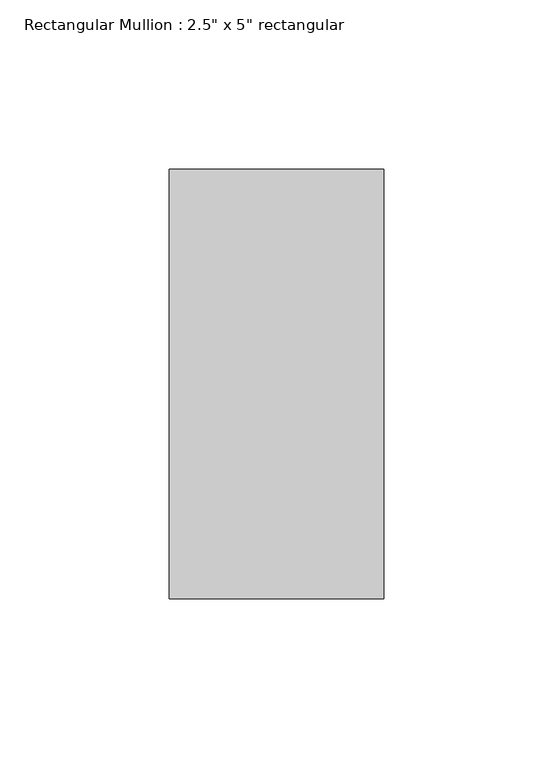
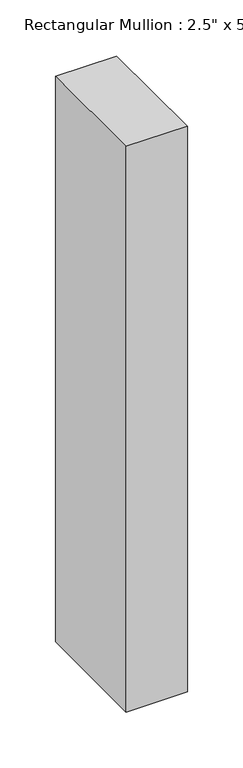
"""IFC4 building model written with IfcOpenShell, lengths in millimetres: member geometry."""

from ifc_helpers import new_model, si_unit, frame, origin, place, context, project, spatial, polyline, outline, extrude, source, transform, mapped, element, save


def member_569fcda3(model_context):
    return source(origin(), model_context, "Body", "SweptSolid", [
        extrude(outline(polyline([(0.0, 0.0), (0.4722263, -63.5), (-619.5758086, -63.5), (-619.0821273, 0.0), (0.0, 0.0)])), frame((0.0, -63.5, 0.0), z_axis=(0.0, 1.0, 0.0), x_axis=(0.0, 0.0, 1.0)), (0.0, 0.0, 1.0), 127.0),
    ])


if __name__ == "__main__":
    model = new_model("IFC4")
    model_context = context("Model", 3, world=origin())
    ifc_project = project(units=[si_unit("LENGTHUNIT", "METRE", prefix="MILLI")], contexts=[model_context])
    site = spatial("IfcSite", under=ifc_project)
    building = spatial("IfcBuilding", under=site)
    placement = place(None, origin())
    member_shape = member_569fcda3(model_context)
    element("IfcMember", 1, ObjectType="Rectangular Mullion : 2.5\" x 5\" rectangular", at=placement, inside=building, context=model_context, shape_type="MappedRepresentation", body=[
        mapped(member_shape, transform((0.0, 0.0, 0.0), x_axis=(1.0, 0.0, 0.0), y_axis=(0.0, 1.0, 0.0), z_axis=(0.0, 0.0, 1.0))),
    ])
    save(model, "model.ifc")
